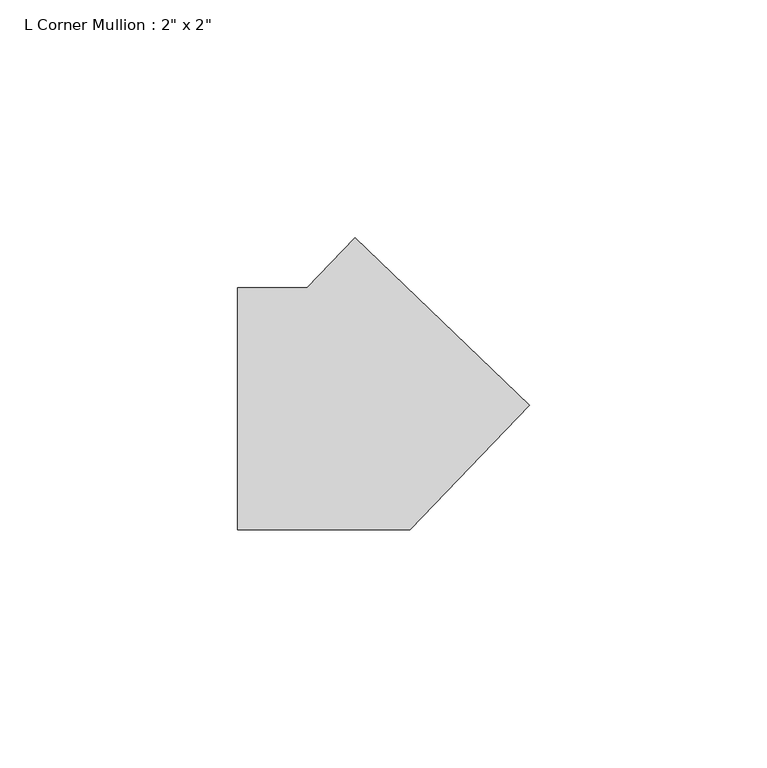
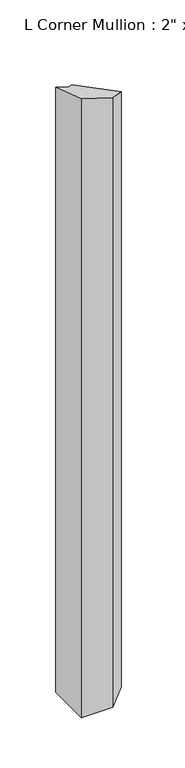
"""IFC4 building model written with IfcOpenShell, lengths in millimetres: member geometry."""

from ifc_helpers import new_model, si_unit, origin, place, context, project, spatial, faceted_brep, source, transform, mapped, element, save


def member_acc30c00(model_context):
    return source(origin(), model_context, "Body", "Brep", [
        faceted_brep([(-0.7440862, 35.913317, -11.9084592), (35.913317, 0.7440862, -11.9084592), (35.913317, 0.7440862, -734.6754552), (-0.7440862, 35.913317, -734.6754552), (-10.8305964, 25.4, -5.0777841), (-10.8305964, 25.4, -734.6754552), (-25.4, 25.4, -0.3488551), (-25.4, 25.4, -734.6754552), (-25.4, -25.4, 16.837491), (-25.4, -25.4, -734.6754552), (10.8305964, -25.4, 5.0777841), (10.8305964, -25.4, -734.6754552)], [[[0, 1, 2, 3]], [[4, 0, 3, 5]], [[6, 4, 5, 7]], [[8, 6, 7, 9]], [[10, 8, 9, 11]], [[1, 10, 11, 2]], [[1, 0, 4, 6, 8, 10]], [[2, 11, 9, 7, 5, 3]]]),
    ])


if __name__ == "__main__":
    model = new_model("IFC4")
    model_context = context("Model", 3, world=origin())
    ifc_project = project(units=[si_unit("LENGTHUNIT", "METRE", prefix="MILLI")], contexts=[model_context])
    site = spatial("IfcSite", under=ifc_project)
    building = spatial("IfcBuilding", under=site)
    placement = place(None, origin())
    member_shape = member_acc30c00(model_context)
    element("IfcMember", 1, ObjectType="L Corner Mullion : 2\" x 2\"", at=placement, inside=building, context=model_context, shape_type="MappedRepresentation", body=[
        mapped(member_shape, transform((0.0, 0.0, 0.0), x_axis=(1.0, 0.0, 0.0), y_axis=(0.0, 1.0, 0.0), z_axis=(0.0, 0.0, 1.0))),
    ])
    save(model, "model.ifc")
